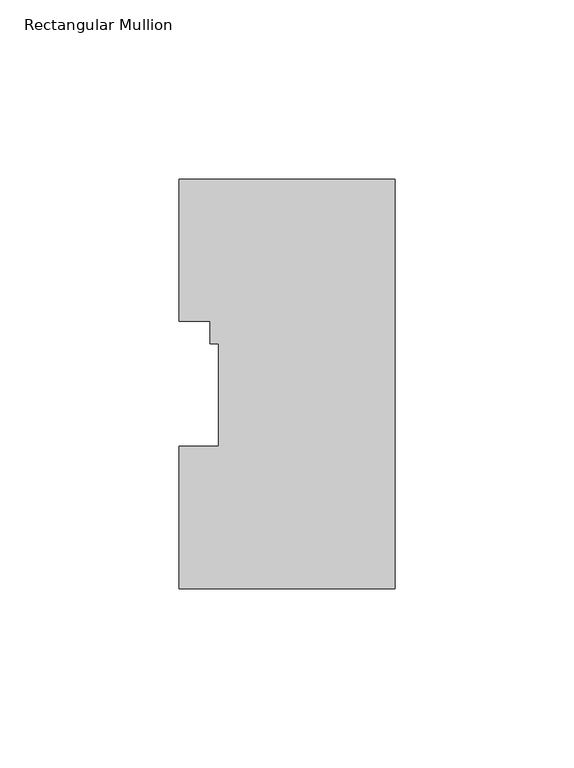
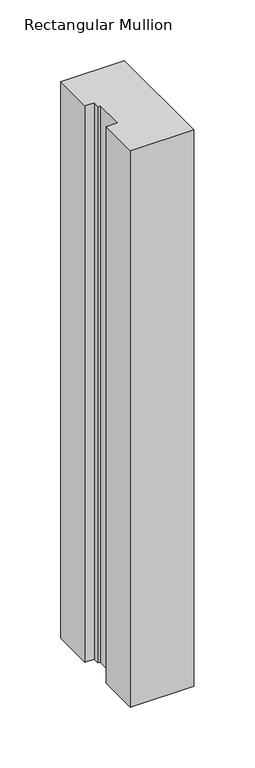
"""IFC4 building model written with IfcOpenShell, lengths in millimetres: member geometry, Rectangular Mullion."""

from ifc_helpers import new_model, si_unit, frame, origin, place, context, project, spatial, polyline, outline, extrude, source, transform, mapped, element, save


def rectangular_mullion_92ce75e9(model_context):
    return source(origin(), model_context, "Body", "SweptSolid", [
        extrude(outline(polyline([(0.0, 114.271425), (0.0, -0.028575), (-60.325, -0.028575), (-60.325, 39.646225), (-49.2125, 39.646225), (-49.2125, 68.246625), (-51.5874, 68.246625), (-51.5874, 74.596625), (-60.325, 74.596625), (-60.325, 114.271425), (0.0, 114.271425)])), frame((0.0, 0.0, -558.8), z_axis=(0.0, 0.0, 1.0), x_axis=(1.0, 0.0, 0.0)), (0.0, 0.0, 1.0), 558.8),
    ])


if __name__ == "__main__":
    model = new_model("IFC4")
    model_context = context("Model", 3, world=origin())
    ifc_project = project(units=[si_unit("LENGTHUNIT", "METRE", prefix="MILLI")], contexts=[model_context])
    site = spatial("IfcSite", under=ifc_project)
    building = spatial("IfcBuilding", under=site)
    placement = place(None, origin())
    rectangular_mullion_shape = rectangular_mullion_92ce75e9(model_context)
    element("IfcMember", 1, ObjectType="Rectangular Mullion", at=placement, inside=building, context=model_context, shape_type="MappedRepresentation", body=[
        mapped(rectangular_mullion_shape, transform((0.0, 0.0, 0.0), x_axis=(1.0, 0.0, 0.0), y_axis=(0.0, 1.0, 0.0), z_axis=(0.0, 0.0, 1.0))),
    ])
    save(model, "model.ifc")
